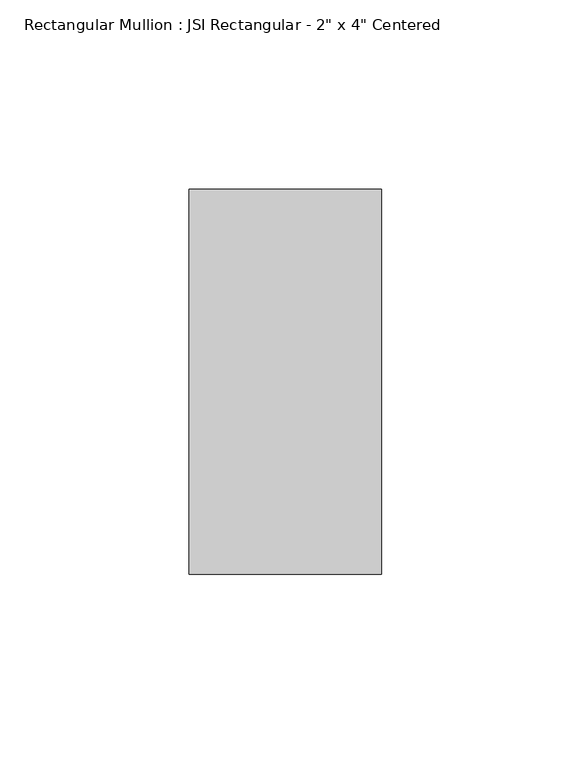
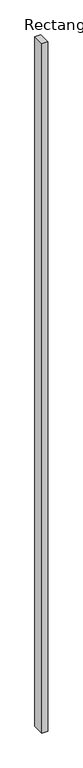
"""IFC4 building model written with IfcOpenShell, lengths in millimetres: member geometry."""

from ifc_helpers import new_model, si_unit, frame, origin, place, context, project, spatial, polyline, outline, extrude, source, transform, mapped, element, save


def member_ffd2a208(model_context):
    return source(origin(), model_context, "Body", "SweptSolid", [
        extrude(outline(polyline([(25.4, 50.8), (25.4, -50.8), (-25.4, -50.8), (-25.4, 50.8), (25.4, 50.8)])), frame((0.0, 0.0, -6096.0), z_axis=(0.0, 0.0, 1.0), x_axis=(1.0, 0.0, 0.0)), (0.0, 0.0, 1.0), 6096.0),
    ])


if __name__ == "__main__":
    model = new_model("IFC4")
    model_context = context("Model", 3, world=origin())
    ifc_project = project(units=[si_unit("LENGTHUNIT", "METRE", prefix="MILLI")], contexts=[model_context])
    site = spatial("IfcSite", under=ifc_project)
    building = spatial("IfcBuilding", under=site)
    placement = place(None, origin())
    member_shape = member_ffd2a208(model_context)
    element("IfcMember", 1, ObjectType="Rectangular Mullion : JSI Rectangular - 2\" x 4\" Centered", at=placement, inside=building, context=model_context, shape_type="MappedRepresentation", body=[
        mapped(member_shape, transform((0.0, 0.0, 0.0), x_axis=(1.0, 0.0, 0.0), y_axis=(0.0, 1.0, 0.0), z_axis=(0.0, 0.0, 1.0))),
    ])
    save(model, "model.ifc")
